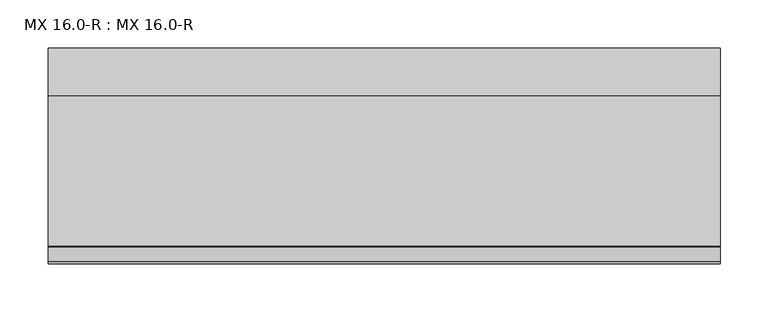
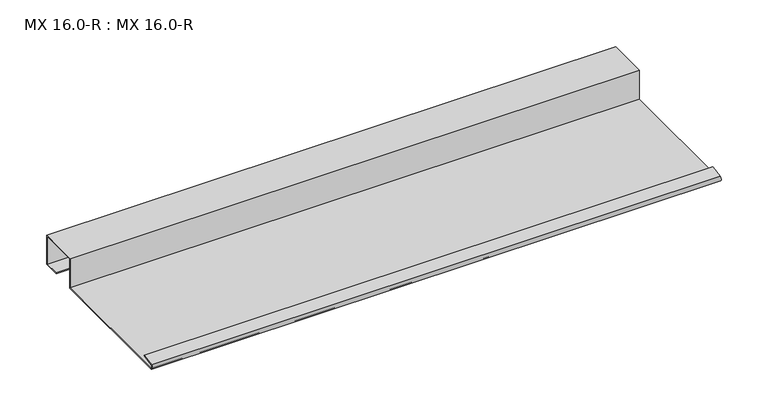
"""IFC4 building model written with IfcOpenShell, lengths in millimetres: proxy geometry, MX 16.0-R : MX 16.0-R."""

from ifc_helpers import new_model, si_unit, point, frame, frame_2d, origin, place, context, project, spatial, polyline, circle_curve, trimmed, segment, composite_curve, outline, extrude, source, transform, mapped, element, save


def mx_16_0_r_mx_16_0_r_ae7a21da(model_context):
    return source(origin(), model_context, "Body", "SweptSolid", [
        extrude(outline(composite_curve([segment(polyline([(-223.163909, 5.2131944), (-207.4140687, 8.2359048), (-207.1307182, 7.2866995), (-222.807341, 4.278041)]), True, "CONTINUOUS"), segment(trimmed(circle_curve(frame_2d((-221.9419644, 2.4153551)), 2.0538928), [point((-222.807341, 4.278041))], [point((-222.6835104, 0.5))], True, "CARTESIAN"), True, "CONTINUOUS"), segment(polyline([(-222.6835104, 0.5), (-50.0, 0.5), (-50.0, 38.5), (0.0, 38.5), (0.0, 0.5), (-20.0, 0.5), (-20.0, 1.5), (-1.0, 1.5), (-1.0, 37.5), (-49.0, 37.5), (-49.0, -0.5), (-222.7963586, -0.5)]), True, "CONTINUOUS"), segment(trimmed(circle_curve(frame_2d((-221.9700946, 2.4215767)), 3.0361691), [point((-222.7963586, -0.5))], [point((-223.163909, 5.2131944))], False, "CARTESIAN"), True, "CONTINUOUS")], self_intersect=False)), frame((0.0, 0.0, 0.0), z_axis=(1.0, 0.0, 0.0), x_axis=(0.0, 1.0, 0.0)), (0.0, 0.0, 1.0), 700.0),
    ])


if __name__ == "__main__":
    model = new_model("IFC4")
    model_context = context("Model", 3, world=origin())
    ifc_project = project(units=[si_unit("LENGTHUNIT", "METRE", prefix="MILLI")], contexts=[model_context])
    site = spatial("IfcSite", under=ifc_project)
    building = spatial("IfcBuilding", under=site)
    placement = place(None, origin())
    mx_16_0_r_mx_16_0_r_shape = mx_16_0_r_mx_16_0_r_ae7a21da(model_context)
    element("IfcBuildingElementProxy", 1, Name="MX 16.0-R : MX 16.0-R", ObjectType="MX 16.0-R : MX 16.0-R", at=placement, inside=building, context=model_context, shape_type="MappedRepresentation", body=[
        mapped(mx_16_0_r_mx_16_0_r_shape, transform((0.0, 0.0, 0.0), x_axis=(1.0, 0.0, 0.0), y_axis=(0.0, 1.0, 0.0), z_axis=(0.0, 0.0, 1.0))),
    ])
    save(model, "model.ifc")
